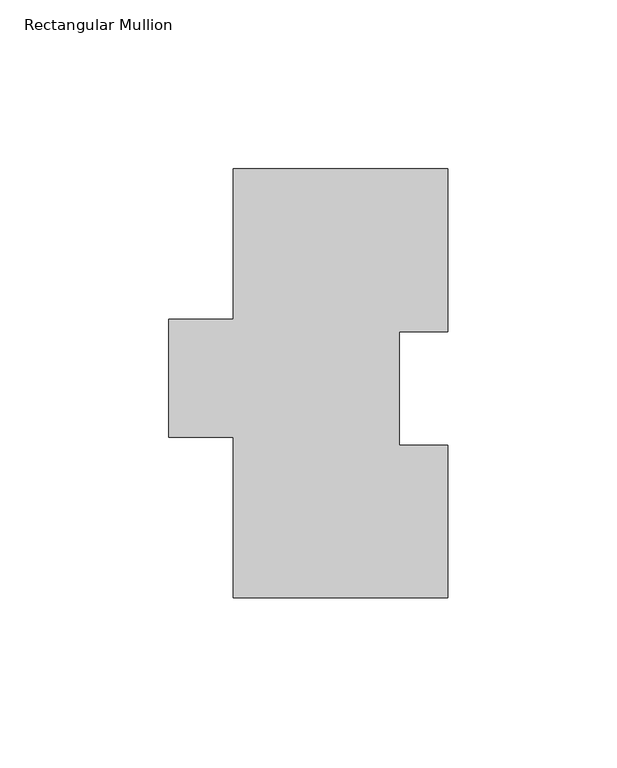
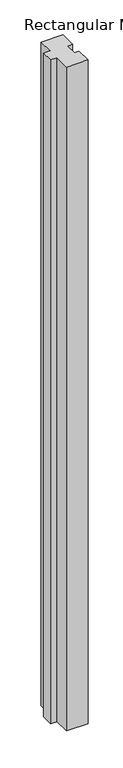
"""IFC4 building model written with IfcOpenShell, lengths in millimetres: member geometry, Rectangular Mullion."""

from ifc_helpers import new_model, si_unit, frame, origin, place, context, project, spatial, polyline, outline, extrude, source, transform, mapped, element, save


def rectangular_mullion_6e53c51f(model_context):
    return source(origin(), model_context, "Body", "SweptSolid", [
        extrude(outline(polyline([(31.75, 133.6365438), (31.75, 85.4273437), (17.4625, 85.4273437), (17.4625, 51.7723437), (31.75, 51.7723437), (31.75, 6.6365438), (-31.75, 6.6365438), (-31.75, 54.2615438), (-50.8, 54.2615438), (-50.8, 89.1865438), (-31.75, 89.1865438), (-31.75, 133.6365438), (31.75, 133.6365438)])), frame((0.0, 0.0, -2045.2989057), z_axis=(0.0, 0.0, 1.0), x_axis=(1.0, 0.0, 0.0)), (0.0, 0.0, 1.0), 2045.2989057),
    ])


if __name__ == "__main__":
    model = new_model("IFC4")
    model_context = context("Model", 3, world=origin())
    ifc_project = project(units=[si_unit("LENGTHUNIT", "METRE", prefix="MILLI")], contexts=[model_context])
    site = spatial("IfcSite", under=ifc_project)
    building = spatial("IfcBuilding", under=site)
    placement = place(None, origin())
    rectangular_mullion_shape = rectangular_mullion_6e53c51f(model_context)
    element("IfcMember", 1, ObjectType="Rectangular Mullion", at=placement, inside=building, context=model_context, shape_type="MappedRepresentation", body=[
        mapped(rectangular_mullion_shape, transform((0.0, 0.0, 0.0), x_axis=(1.0, 0.0, 0.0), y_axis=(0.0, 1.0, 0.0), z_axis=(0.0, 0.0, 1.0))),
    ])
    save(model, "model.ifc")
